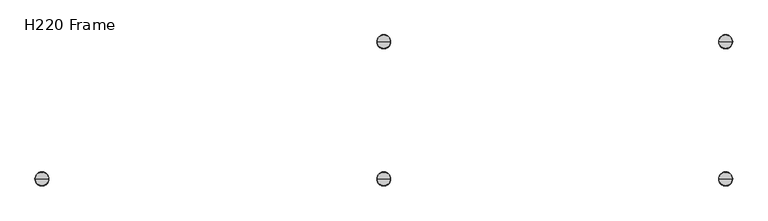
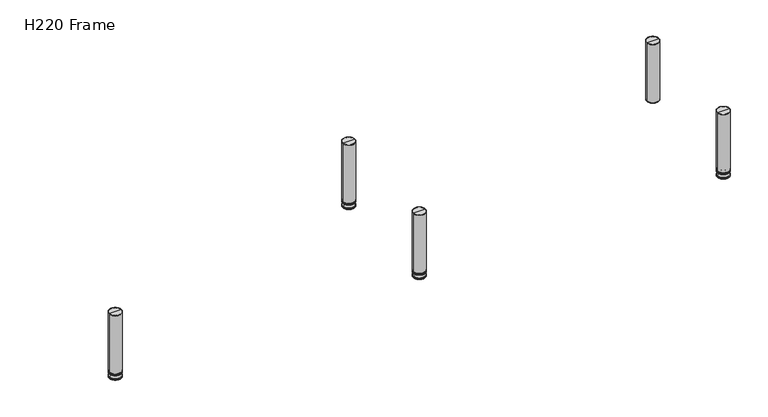
"""IFC4 building model written with IfcOpenShell, lengths in millimetres: furniture geometry, H220 Frame."""

from ifc_helpers import new_model, si_unit, point, frame, origin, place, context, project, spatial, circle_curve, ellipse_curve, trimmed, source, transform, mapped, element, save
from ifc_brep_helpers import plane_surface, cylinder_surface, revolved_surface, advanced_brep


def h220_frame_108b675b(model_context):
    return source(origin(), model_context, "Body", "AdvancedBrep", [
        advanced_brep(
        [(1000.0, -20.0, 220.0), (1019.5, -20.0, 220.0), (980.5, -20.0, 220.0), (980.5, -20.0, 20.0), (1019.5, -20.0, 20.0), (1000.0, -20.0, 20.0), (980.0, -20.0, 20.5), (1020.0, -20.0, 20.5), (980.0, -20.0, 219.5), (1020.0, -20.0, 219.5)],
        [
            (0, 1),
            (1, 2, circle_curve(frame((1000.0, -20.0, 220.0), z_axis=(0.0, 0.0, 1.0), x_axis=(1.0, 0.0, 0.0)), 19.5)),
            (2, 0),
            (2, 1, circle_curve(frame((1000.0, -20.0, 220.0), z_axis=(0.0, 0.0, 1.0), x_axis=(1.0, 0.0, 0.0)), 19.5)),
            (3, 4, circle_curve(frame((1000.0, -20.0, 20.0), z_axis=(0.0, 0.0, -1.0), x_axis=(1.0, 0.0, 0.0)), 19.5)),
            (4, 5),
            (5, 3),
            (4, 3, circle_curve(frame((1000.0, -20.0, 20.0), z_axis=(0.0, 0.0, -1.0), x_axis=(1.0, 0.0, 0.0)), 19.5)),
            (6, 7, circle_curve(frame((1000.0, -20.0, 20.5), z_axis=(0.0, 0.0, -1.0), x_axis=(1.0, 0.0, 0.0)), 20.0)),
            (7, 4, circle_curve(frame((1019.5, -20.0, 20.5), z_axis=(0.0, 1.0, 0.0), x_axis=(1.0, 0.0, 0.0)), 0.5)),
            (3, 6, circle_curve(frame((980.5, -20.0, 20.5), z_axis=(0.0, 1.0, 0.0), x_axis=(-1.0, 0.0, 0.0)), 0.5)),
            (7, 6, circle_curve(frame((1000.0, -20.0, 20.5), z_axis=(0.0, 0.0, -1.0), x_axis=(1.0, 0.0, 0.0)), 20.0)),
            (8, 9, circle_curve(frame((1000.0, -20.0, 219.5), z_axis=(0.0, 0.0, -1.0), x_axis=(1.0, 0.0, 0.0)), 20.0)),
            (9, 7),
            (6, 8),
            (9, 8, circle_curve(frame((1000.0, -20.0, 219.5), z_axis=(0.0, 0.0, -1.0), x_axis=(1.0, 0.0, 0.0)), 20.0)),
            (1, 9, circle_curve(frame((1019.5, -20.0, 219.5), z_axis=(0.0, 1.0, 0.0), x_axis=(1.0, 0.0, 0.0)), 0.5)),
            (8, 2, circle_curve(frame((980.5, -20.0, 219.5), z_axis=(0.0, 1.0, 0.0), x_axis=(-1.0, 0.0, 0.0)), 0.5)),
        ],
        [
            plane_surface(frame((1000.0, -20.0, 220.0), z_axis=(0.0, 0.0, 1.0), x_axis=(1.0, 0.0, 0.0))),
            plane_surface(frame((1000.0, -20.0, 20.0), z_axis=(0.0, 0.0, -1.0), x_axis=(1.0, 0.0, 0.0))),
            revolved_surface(trimmed(ellipse_curve(frame((1019.5, -20.0, 20.5), z_axis=(0.0, -1.0, 0.0), x_axis=(1.0, 0.0, 0.0)), 0.5, 0.5), [point((1019.5, -20.0, 20.0))], [point((1020.0, -20.0, 20.5))], True, "CARTESIAN"), (1000.0, -20.0, 0.0), (0.0, 0.0, 1.0)),
            cylinder_surface(frame((1000.0, -20.0, 0.0), z_axis=(0.0, 0.0, 1.0), x_axis=(1.0, 0.0, 0.0)), 20.0),
            revolved_surface(trimmed(ellipse_curve(frame((1019.5, -20.0, 219.5), z_axis=(0.0, -1.0, 0.0), x_axis=(1.0, 0.0, 0.0)), 0.5, 0.5), [point((1020.0, -20.0, 219.5))], [point((1019.5, -20.0, 220.0))], True, "CARTESIAN"), (1000.0, -20.0, 0.0), (0.0, 0.0, 1.0)),
        ],
        [
            (0, [[1, 2, 3]]),
            (0, [[-3, 4, -1]]),
            (1, [[5, 6, 7]]),
            (1, [[8, -7, -6]]),
            (2, [[9, 10, -5, 11]]),
            (2, [[12, -11, -8, -10]]),
            (3, [[13, 14, -9, 15]]),
            (3, [[16, -15, -12, -14]]),
            (4, [[-2, 17, -13, 18]]),
            (4, [[-4, -18, -16, -17]]),
        ],
    ),
        advanced_brep(
        [(981.0, -20.0, 0.0), (1019.0, -20.0, 0.0), (1000.0, -20.0, 0.0), (980.0, -20.0, 1.0), (1020.0, -20.0, 1.0), (980.0, -20.0, 2.3403271), (1020.0, -20.0, 2.3403271), (980.9823007, -20.0, 4.0620379), (1019.0176993, -20.0, 4.0620379), (993.0, -20.0, 15.0), (1007.0, -20.0, 15.0), (981.0, -20.0, 15.0), (1019.0, -20.0, 15.0), (980.0, -20.0, 16.0), (1020.0, -20.0, 16.0), (980.0, -20.0, 19.5), (1020.0, -20.0, 19.5), (1000.0, -20.0, 20.0), (1019.5, -20.0, 20.0), (980.5, -20.0, 20.0)],
        [
            (0, 1, circle_curve(frame((1000.0, -20.0, 0.0), z_axis=(0.0, 0.0, -1.0), x_axis=(1.0, 0.0, 0.0)), 19.0)),
            (1, 2),
            (2, 0),
            (1, 0, circle_curve(frame((1000.0, -20.0, 0.0), z_axis=(0.0, 0.0, -1.0), x_axis=(1.0, 0.0, 0.0)), 19.0)),
            (3, 4, circle_curve(frame((1000.0, -20.0, 1.0), z_axis=(0.0, 0.0, -1.0), x_axis=(1.0, 0.0, 0.0)), 20.0)),
            (4, 1, circle_curve(frame((1019.0, -20.0, 1.0), z_axis=(0.0, 1.0, 0.0), x_axis=(1.0, 0.0, 0.0)), 1.0)),
            (0, 3, circle_curve(frame((981.0, -20.0, 1.0), z_axis=(0.0, 1.0, 0.0), x_axis=(-1.0, 0.0, 0.0)), 1.0)),
            (4, 3, circle_curve(frame((1000.0, -20.0, 1.0), z_axis=(0.0, 0.0, -1.0), x_axis=(1.0, 0.0, 0.0)), 20.0)),
            (5, 6, circle_curve(frame((1000.0, -20.0, 2.3403271), z_axis=(0.0, 0.0, -1.0), x_axis=(1.0, 0.0, 0.0)), 20.0)),
            (6, 4),
            (3, 5),
            (6, 5, circle_curve(frame((1000.0, -20.0, 2.3403271), z_axis=(0.0, 0.0, -1.0), x_axis=(1.0, 0.0, 0.0)), 20.0)),
            (7, 8, circle_curve(frame((1000.0, -20.0, 4.0620379), z_axis=(0.0, 0.0, -1.0), x_axis=(1.0, 0.0, 0.0)), 19.0176993)),
            (8, 6, circle_curve(frame((1018.0, -20.0, 2.3403271), z_axis=(0.0, 1.0, 0.0), x_axis=(1.0, 0.0, 0.0)), 2.0)),
            (5, 7, circle_curve(frame((982.0, -20.0, 2.3403271), z_axis=(0.0, 1.0, 0.0), x_axis=(-1.0, 0.0, 0.0)), 2.0)),
            (8, 7, circle_curve(frame((1000.0, -20.0, 4.0620379), z_axis=(0.0, 0.0, -1.0), x_axis=(1.0, 0.0, 0.0)), 19.0176993)),
            (9, 10, circle_curve(frame((1000.0, -20.0, 15.0), z_axis=(0.0, 0.0, -1.0), x_axis=(1.0, 0.0, 0.0)), 7.0)),
            (10, 8, circle_curve(frame((1039.371686, -20.0, 38.4962538), z_axis=(0.0, -1.0, 0.0), x_axis=(1.0, 0.0, 0.0)), 40.0)),
            (7, 9, circle_curve(frame((960.628314, -20.0, 38.4962538), z_axis=(0.0, -1.0, 0.0), x_axis=(-1.0, 0.0, 0.0)), 40.0)),
            (10, 9, circle_curve(frame((1000.0, -20.0, 15.0), z_axis=(0.0, 0.0, -1.0), x_axis=(1.0, 0.0, 0.0)), 7.0)),
            (11, 12, circle_curve(frame((1000.0, -20.0, 15.0), z_axis=(0.0, 0.0, -1.0), x_axis=(1.0, 0.0, 0.0)), 19.0)),
            (12, 10),
            (9, 11),
            (12, 11, circle_curve(frame((1000.0, -20.0, 15.0), z_axis=(0.0, 0.0, -1.0), x_axis=(1.0, 0.0, 0.0)), 19.0)),
            (13, 14, circle_curve(frame((1000.0, -20.0, 16.0), z_axis=(0.0, 0.0, -1.0), x_axis=(1.0, 0.0, 0.0)), 20.0)),
            (14, 12, circle_curve(frame((1019.0, -20.0, 16.0), z_axis=(0.0, 1.0, 0.0), x_axis=(1.0, 0.0, 0.0)), 1.0)),
            (11, 13, circle_curve(frame((981.0, -20.0, 16.0), z_axis=(0.0, 1.0, 0.0), x_axis=(-1.0, 0.0, 0.0)), 1.0)),
            (14, 13, circle_curve(frame((1000.0, -20.0, 16.0), z_axis=(0.0, 0.0, -1.0), x_axis=(1.0, 0.0, 0.0)), 20.0)),
            (15, 16, circle_curve(frame((1000.0, -20.0, 19.5), z_axis=(0.0, 0.0, -1.0), x_axis=(1.0, 0.0, 0.0)), 20.0)),
            (16, 14),
            (13, 15),
            (16, 15, circle_curve(frame((1000.0, -20.0, 19.5), z_axis=(0.0, 0.0, -1.0), x_axis=(1.0, 0.0, 0.0)), 20.0)),
            (17, 18),
            (18, 19, circle_curve(frame((1000.0, -20.0, 20.0), z_axis=(0.0, 0.0, 1.0), x_axis=(1.0, 0.0, 0.0)), 19.5)),
            (19, 17),
            (19, 18, circle_curve(frame((1000.0, -20.0, 20.0), z_axis=(0.0, 0.0, 1.0), x_axis=(1.0, 0.0, 0.0)), 19.5)),
            (18, 16, circle_curve(frame((1019.5, -20.0, 19.5), z_axis=(0.0, 1.0, 0.0), x_axis=(1.0, 0.0, 0.0)), 0.5)),
            (15, 19, circle_curve(frame((980.5, -20.0, 19.5), z_axis=(0.0, 1.0, 0.0), x_axis=(-1.0, 0.0, 0.0)), 0.5)),
        ],
        [
            plane_surface(frame((1000.0, -20.0, 0.0), z_axis=(0.0, 0.0, -1.0), x_axis=(1.0, 0.0, 0.0))),
            revolved_surface(trimmed(ellipse_curve(frame((1019.0, -20.0, 1.0), z_axis=(0.0, -1.0, 0.0), x_axis=(1.0, 0.0, 0.0)), 1.0, 1.0), [point((1019.0, -20.0, 0.0))], [point((1020.0, -20.0, 1.0))], True, "CARTESIAN"), (1000.0, -20.0, -1.7276483), (0.0, 0.0, 1.0)),
            cylinder_surface(frame((1000.0, -20.0, -1.7276483), z_axis=(0.0, 0.0, 1.0), x_axis=(1.0, 0.0, 0.0)), 20.0),
            revolved_surface(trimmed(ellipse_curve(frame((1018.0, -20.0, 2.3403271), z_axis=(0.0, -1.0, 0.0), x_axis=(1.0, 0.0, 0.0)), 2.0, 2.0), [point((1020.0, -20.0, 2.3403271))], [point((1019.0176993, -20.0, 4.0620379))], True, "CARTESIAN"), (1000.0, -20.0, -1.7276483), (0.0, 0.0, 1.0)),
            revolved_surface(trimmed(ellipse_curve(frame((1039.371686, -20.0, 38.4962538), z_axis=(0.0, 1.0, 0.0), x_axis=(1.0, 0.0, 0.0)), 40.0, 40.0), [point((1019.0176993, -20.0, 4.0620379))], [point((1007.0, -20.0, 15.0))], True, "CARTESIAN"), (1000.0, -20.0, -1.7276483), (0.0, 0.0, 1.0)),
            plane_surface(frame((1000.0, -20.0, 15.0), z_axis=(0.0, 0.0, -1.0), x_axis=(1.0, 0.0, 0.0))),
            revolved_surface(trimmed(ellipse_curve(frame((1019.0, -20.0, 16.0), z_axis=(0.0, -1.0, 0.0), x_axis=(1.0, 0.0, 0.0)), 1.0, 1.0), [point((1019.0, -20.0, 15.0))], [point((1020.0, -20.0, 16.0))], True, "CARTESIAN"), (1000.0, -20.0, -1.7276483), (0.0, 0.0, 1.0)),
            plane_surface(frame((1000.0, -20.0, 20.0), z_axis=(0.0, 0.0, 1.0), x_axis=(1.0, 0.0, 0.0))),
            revolved_surface(trimmed(ellipse_curve(frame((1019.5, -20.0, 19.5), z_axis=(0.0, -1.0, 0.0), x_axis=(1.0, 0.0, 0.0)), 0.5, 0.5), [point((1020.0, -20.0, 19.5))], [point((1019.5, -20.0, 20.0))], True, "CARTESIAN"), (1000.0, -20.0, -1.7276483), (0.0, 0.0, 1.0)),
        ],
        [
            (0, [[1, 2, 3]]),
            (0, [[4, -3, -2]]),
            (1, [[5, 6, -1, 7]]),
            (1, [[8, -7, -4, -6]]),
            (2, [[9, 10, -5, 11]]),
            (2, [[12, -11, -8, -10]]),
            (3, [[13, 14, -9, 15]]),
            (3, [[16, -15, -12, -14]]),
            (4, [[17, 18, -13, 19]]),
            (4, [[20, -19, -16, -18]]),
            (5, [[21, 22, -17, 23]]),
            (5, [[24, -23, -20, -22]]),
            (6, [[25, 26, -21, 27]]),
            (6, [[28, -27, -24, -26]]),
            (2, [[29, 30, -25, 31]]),
            (2, [[32, -31, -28, -30]]),
            (7, [[33, 34, 35]]),
            (7, [[-35, 36, -33]]),
            (8, [[-34, 37, -29, 38]]),
            (8, [[-36, -38, -32, -37]]),
        ],
    ),
        advanced_brep(
        [(1000.0, -414.0, 220.0), (1019.5, -414.0, 220.0), (980.5, -414.0, 220.0), (980.5, -414.0, 20.0), (1019.5, -414.0, 20.0), (1000.0, -414.0, 20.0), (980.0, -414.0, 20.5), (1020.0, -414.0, 20.5), (980.0, -414.0, 219.5), (1020.0, -414.0, 219.5)],
        [
            (0, 1),
            (1, 2, circle_curve(frame((1000.0, -414.0, 220.0), z_axis=(0.0, 0.0, 1.0), x_axis=(1.0, 0.0, 0.0)), 19.5)),
            (2, 0),
            (2, 1, circle_curve(frame((1000.0, -414.0, 220.0), z_axis=(0.0, 0.0, 1.0), x_axis=(1.0, 0.0, 0.0)), 19.5)),
            (3, 4, circle_curve(frame((1000.0, -414.0, 20.0), z_axis=(0.0, 0.0, -1.0), x_axis=(1.0, 0.0, 0.0)), 19.5)),
            (4, 5),
            (5, 3),
            (4, 3, circle_curve(frame((1000.0, -414.0, 20.0), z_axis=(0.0, 0.0, -1.0), x_axis=(1.0, 0.0, 0.0)), 19.5)),
            (6, 7, circle_curve(frame((1000.0, -414.0, 20.5), z_axis=(0.0, 0.0, -1.0), x_axis=(1.0, 0.0, 0.0)), 20.0)),
            (7, 4, circle_curve(frame((1019.5, -414.0, 20.5), z_axis=(0.0, 1.0, 0.0), x_axis=(1.0, 0.0, 0.0)), 0.5)),
            (3, 6, circle_curve(frame((980.5, -414.0, 20.5), z_axis=(0.0, 1.0, 0.0), x_axis=(-1.0, 0.0, 0.0)), 0.5)),
            (7, 6, circle_curve(frame((1000.0, -414.0, 20.5), z_axis=(0.0, 0.0, -1.0), x_axis=(1.0, 0.0, 0.0)), 20.0)),
            (8, 9, circle_curve(frame((1000.0, -414.0, 219.5), z_axis=(0.0, 0.0, -1.0), x_axis=(1.0, 0.0, 0.0)), 20.0)),
            (9, 7),
            (6, 8),
            (9, 8, circle_curve(frame((1000.0, -414.0, 219.5), z_axis=(0.0, 0.0, -1.0), x_axis=(1.0, 0.0, 0.0)), 20.0)),
            (1, 9, circle_curve(frame((1019.5, -414.0, 219.5), z_axis=(0.0, 1.0, 0.0), x_axis=(1.0, 0.0, 0.0)), 0.5)),
            (8, 2, circle_curve(frame((980.5, -414.0, 219.5), z_axis=(0.0, 1.0, 0.0), x_axis=(-1.0, 0.0, 0.0)), 0.5)),
        ],
        [
            plane_surface(frame((1000.0, -414.0, 220.0), z_axis=(0.0, 0.0, 1.0), x_axis=(1.0, 0.0, 0.0))),
            plane_surface(frame((1000.0, -414.0, 20.0), z_axis=(0.0, 0.0, -1.0), x_axis=(1.0, 0.0, 0.0))),
            revolved_surface(trimmed(ellipse_curve(frame((1019.5, -414.0, 20.5), z_axis=(0.0, -1.0, 0.0), x_axis=(1.0, 0.0, 0.0)), 0.5, 0.5), [point((1019.5, -414.0, 20.0))], [point((1020.0, -414.0, 20.5))], True, "CARTESIAN"), (1000.0, -414.0, 0.0), (0.0, 0.0, 1.0)),
            cylinder_surface(frame((1000.0, -414.0, 0.0), z_axis=(0.0, 0.0, 1.0), x_axis=(1.0, 0.0, 0.0)), 20.0),
            revolved_surface(trimmed(ellipse_curve(frame((1019.5, -414.0, 219.5), z_axis=(0.0, -1.0, 0.0), x_axis=(1.0, 0.0, 0.0)), 0.5, 0.5), [point((1020.0, -414.0, 219.5))], [point((1019.5, -414.0, 220.0))], True, "CARTESIAN"), (1000.0, -414.0, 0.0), (0.0, 0.0, 1.0)),
        ],
        [
            (0, [[1, 2, 3]]),
            (0, [[-3, 4, -1]]),
            (1, [[5, 6, 7]]),
            (1, [[8, -7, -6]]),
            (2, [[9, 10, -5, 11]]),
            (2, [[12, -11, -8, -10]]),
            (3, [[13, 14, -9, 15]]),
            (3, [[16, -15, -12, -14]]),
            (4, [[-2, 17, -13, 18]]),
            (4, [[-4, -18, -16, -17]]),
        ],
    ),
        advanced_brep(
        [(981.0, -414.0, 0.0), (1019.0, -414.0, 0.0), (1000.0, -414.0, 0.0), (980.0, -414.0, 1.0), (1020.0, -414.0, 1.0), (980.0, -414.0, 2.3403271), (1020.0, -414.0, 2.3403271), (980.9823007, -414.0, 4.0620379), (1019.0176993, -414.0, 4.0620379), (993.0, -414.0, 15.0), (1007.0, -414.0, 15.0), (981.0, -414.0, 15.0), (1019.0, -414.0, 15.0), (980.0, -414.0, 16.0), (1020.0, -414.0, 16.0), (980.0, -414.0, 19.5), (1020.0, -414.0, 19.5), (1000.0, -414.0, 20.0), (1019.5, -414.0, 20.0), (980.5, -414.0, 20.0)],
        [
            (0, 1, circle_curve(frame((1000.0, -414.0, 0.0), z_axis=(0.0, 0.0, -1.0), x_axis=(1.0, 0.0, 0.0)), 19.0)),
            (1, 2),
            (2, 0),
            (1, 0, circle_curve(frame((1000.0, -414.0, 0.0), z_axis=(0.0, 0.0, -1.0), x_axis=(1.0, 0.0, 0.0)), 19.0)),
            (3, 4, circle_curve(frame((1000.0, -414.0, 1.0), z_axis=(0.0, 0.0, -1.0), x_axis=(1.0, 0.0, 0.0)), 20.0)),
            (4, 1, circle_curve(frame((1019.0, -414.0, 1.0), z_axis=(0.0, 1.0, 0.0), x_axis=(1.0, 0.0, 0.0)), 1.0)),
            (0, 3, circle_curve(frame((981.0, -414.0, 1.0), z_axis=(0.0, 1.0, 0.0), x_axis=(-1.0, 0.0, 0.0)), 1.0)),
            (4, 3, circle_curve(frame((1000.0, -414.0, 1.0), z_axis=(0.0, 0.0, -1.0), x_axis=(1.0, 0.0, 0.0)), 20.0)),
            (5, 6, circle_curve(frame((1000.0, -414.0, 2.3403271), z_axis=(0.0, 0.0, -1.0), x_axis=(1.0, 0.0, 0.0)), 20.0)),
            (6, 4),
            (3, 5),
            (6, 5, circle_curve(frame((1000.0, -414.0, 2.3403271), z_axis=(0.0, 0.0, -1.0), x_axis=(1.0, 0.0, 0.0)), 20.0)),
            (7, 8, circle_curve(frame((1000.0, -414.0, 4.0620379), z_axis=(0.0, 0.0, -1.0), x_axis=(1.0, 0.0, 0.0)), 19.0176993)),
            (8, 6, circle_curve(frame((1018.0, -414.0, 2.3403271), z_axis=(0.0, 1.0, 0.0), x_axis=(1.0, 0.0, 0.0)), 2.0)),
            (5, 7, circle_curve(frame((982.0, -414.0, 2.3403271), z_axis=(0.0, 1.0, 0.0), x_axis=(-1.0, 0.0, 0.0)), 2.0)),
            (8, 7, circle_curve(frame((1000.0, -414.0, 4.0620379), z_axis=(0.0, 0.0, -1.0), x_axis=(1.0, 0.0, 0.0)), 19.0176993)),
            (9, 10, circle_curve(frame((1000.0, -414.0, 15.0), z_axis=(0.0, 0.0, -1.0), x_axis=(1.0, 0.0, 0.0)), 7.0)),
            (10, 8, circle_curve(frame((1039.371686, -414.0, 38.4962538), z_axis=(0.0, -1.0, 0.0), x_axis=(1.0, 0.0, 0.0)), 40.0)),
            (7, 9, circle_curve(frame((960.628314, -414.0, 38.4962538), z_axis=(0.0, -1.0, 0.0), x_axis=(-1.0, 0.0, 0.0)), 40.0)),
            (10, 9, circle_curve(frame((1000.0, -414.0, 15.0), z_axis=(0.0, 0.0, -1.0), x_axis=(1.0, 0.0, 0.0)), 7.0)),
            (11, 12, circle_curve(frame((1000.0, -414.0, 15.0), z_axis=(0.0, 0.0, -1.0), x_axis=(1.0, 0.0, 0.0)), 19.0)),
            (12, 10),
            (9, 11),
            (12, 11, circle_curve(frame((1000.0, -414.0, 15.0), z_axis=(0.0, 0.0, -1.0), x_axis=(1.0, 0.0, 0.0)), 19.0)),
            (13, 14, circle_curve(frame((1000.0, -414.0, 16.0), z_axis=(0.0, 0.0, -1.0), x_axis=(1.0, 0.0, 0.0)), 20.0)),
            (14, 12, circle_curve(frame((1019.0, -414.0, 16.0), z_axis=(0.0, 1.0, 0.0), x_axis=(1.0, 0.0, 0.0)), 1.0)),
            (11, 13, circle_curve(frame((981.0, -414.0, 16.0), z_axis=(0.0, 1.0, 0.0), x_axis=(-1.0, 0.0, 0.0)), 1.0)),
            (14, 13, circle_curve(frame((1000.0, -414.0, 16.0), z_axis=(0.0, 0.0, -1.0), x_axis=(1.0, 0.0, 0.0)), 20.0)),
            (15, 16, circle_curve(frame((1000.0, -414.0, 19.5), z_axis=(0.0, 0.0, -1.0), x_axis=(1.0, 0.0, 0.0)), 20.0)),
            (16, 14),
            (13, 15),
            (16, 15, circle_curve(frame((1000.0, -414.0, 19.5), z_axis=(0.0, 0.0, -1.0), x_axis=(1.0, 0.0, 0.0)), 20.0)),
            (17, 18),
            (18, 19, circle_curve(frame((1000.0, -414.0, 20.0), z_axis=(0.0, 0.0, 1.0), x_axis=(1.0, 0.0, 0.0)), 19.5)),
            (19, 17),
            (19, 18, circle_curve(frame((1000.0, -414.0, 20.0), z_axis=(0.0, 0.0, 1.0), x_axis=(1.0, 0.0, 0.0)), 19.5)),
            (18, 16, circle_curve(frame((1019.5, -414.0, 19.5), z_axis=(0.0, 1.0, 0.0), x_axis=(1.0, 0.0, 0.0)), 0.5)),
            (15, 19, circle_curve(frame((980.5, -414.0, 19.5), z_axis=(0.0, 1.0, 0.0), x_axis=(-1.0, 0.0, 0.0)), 0.5)),
        ],
        [
            plane_surface(frame((1000.0, -414.0, 0.0), z_axis=(0.0, 0.0, -1.0), x_axis=(1.0, 0.0, 0.0))),
            revolved_surface(trimmed(ellipse_curve(frame((1019.0, -414.0, 1.0), z_axis=(0.0, -1.0, 0.0), x_axis=(1.0, 0.0, 0.0)), 1.0, 1.0), [point((1019.0, -414.0, 0.0))], [point((1020.0, -414.0, 1.0))], True, "CARTESIAN"), (1000.0, -414.0, -1.7276483), (0.0, 0.0, 1.0)),
            cylinder_surface(frame((1000.0, -414.0, -1.7276483), z_axis=(0.0, 0.0, 1.0), x_axis=(1.0, 0.0, 0.0)), 20.0),
            revolved_surface(trimmed(ellipse_curve(frame((1018.0, -414.0, 2.3403271), z_axis=(0.0, -1.0, 0.0), x_axis=(1.0, 0.0, 0.0)), 2.0, 2.0), [point((1020.0, -414.0, 2.3403271))], [point((1019.0176993, -414.0, 4.0620379))], True, "CARTESIAN"), (1000.0, -414.0, -1.7276483), (0.0, 0.0, 1.0)),
            revolved_surface(trimmed(ellipse_curve(frame((1039.371686, -414.0, 38.4962538), z_axis=(0.0, 1.0, 0.0), x_axis=(1.0, 0.0, 0.0)), 40.0, 40.0), [point((1019.0176993, -414.0, 4.0620379))], [point((1007.0, -414.0, 15.0))], True, "CARTESIAN"), (1000.0, -414.0, -1.7276483), (0.0, 0.0, 1.0)),
            plane_surface(frame((1000.0, -414.0, 15.0), z_axis=(0.0, 0.0, -1.0), x_axis=(1.0, 0.0, 0.0))),
            revolved_surface(trimmed(ellipse_curve(frame((1019.0, -414.0, 16.0), z_axis=(0.0, -1.0, 0.0), x_axis=(1.0, 0.0, 0.0)), 1.0, 1.0), [point((1019.0, -414.0, 15.0))], [point((1020.0, -414.0, 16.0))], True, "CARTESIAN"), (1000.0, -414.0, -1.7276483), (0.0, 0.0, 1.0)),
            plane_surface(frame((1000.0, -414.0, 20.0), z_axis=(0.0, 0.0, 1.0), x_axis=(1.0, 0.0, 0.0))),
            revolved_surface(trimmed(ellipse_curve(frame((1019.5, -414.0, 19.5), z_axis=(0.0, -1.0, 0.0), x_axis=(1.0, 0.0, 0.0)), 0.5, 0.5), [point((1020.0, -414.0, 19.5))], [point((1019.5, -414.0, 20.0))], True, "CARTESIAN"), (1000.0, -414.0, -1.7276483), (0.0, 0.0, 1.0)),
        ],
        [
            (0, [[1, 2, 3]]),
            (0, [[4, -3, -2]]),
            (1, [[5, 6, -1, 7]]),
            (1, [[8, -7, -4, -6]]),
            (2, [[9, 10, -5, 11]]),
            (2, [[12, -11, -8, -10]]),
            (3, [[13, 14, -9, 15]]),
            (3, [[16, -15, -12, -14]]),
            (4, [[17, 18, -13, 19]]),
            (4, [[20, -19, -16, -18]]),
            (5, [[21, 22, -17, 23]]),
            (5, [[24, -23, -20, -22]]),
            (6, [[25, 26, -21, 27]]),
            (6, [[28, -27, -24, -26]]),
            (2, [[29, 30, -25, 31]]),
            (2, [[32, -31, -28, -30]]),
            (7, [[33, 34, 35]]),
            (7, [[-35, 36, -33]]),
            (8, [[-34, 37, -29, 38]]),
            (8, [[-36, -38, -32, -37]]),
        ],
    ),
        advanced_brep(
        [(1980.0, -414.0, 220.0), (1999.5, -414.0, 220.0), (1960.5, -414.0, 220.0), (1960.5, -414.0, 20.0), (1999.5, -414.0, 20.0), (1980.0, -414.0, 20.0), (1960.0, -414.0, 20.5), (2000.0, -414.0, 20.5), (1960.0, -414.0, 219.5), (2000.0, -414.0, 219.5)],
        [
            (0, 1),
            (1, 2, circle_curve(frame((1980.0, -414.0, 220.0), z_axis=(0.0, 0.0, 1.0), x_axis=(1.0, 0.0, 0.0)), 19.5)),
            (2, 0),
            (2, 1, circle_curve(frame((1980.0, -414.0, 220.0), z_axis=(0.0, 0.0, 1.0), x_axis=(1.0, 0.0, 0.0)), 19.5)),
            (3, 4, circle_curve(frame((1980.0, -414.0, 20.0), z_axis=(0.0, 0.0, -1.0), x_axis=(1.0, 0.0, 0.0)), 19.5)),
            (4, 5),
            (5, 3),
            (4, 3, circle_curve(frame((1980.0, -414.0, 20.0), z_axis=(0.0, 0.0, -1.0), x_axis=(1.0, 0.0, 0.0)), 19.5)),
            (6, 7, circle_curve(frame((1980.0, -414.0, 20.5), z_axis=(0.0, 0.0, -1.0), x_axis=(1.0, 0.0, 0.0)), 20.0)),
            (7, 4, circle_curve(frame((1999.5, -414.0, 20.5), z_axis=(0.0, 1.0, 0.0), x_axis=(1.0, 0.0, 0.0)), 0.5)),
            (3, 6, circle_curve(frame((1960.5, -414.0, 20.5), z_axis=(0.0, 1.0, 0.0), x_axis=(-1.0, 0.0, 0.0)), 0.5)),
            (7, 6, circle_curve(frame((1980.0, -414.0, 20.5), z_axis=(0.0, 0.0, -1.0), x_axis=(1.0, 0.0, 0.0)), 20.0)),
            (8, 9, circle_curve(frame((1980.0, -414.0, 219.5), z_axis=(0.0, 0.0, -1.0), x_axis=(1.0, 0.0, 0.0)), 20.0)),
            (9, 7),
            (6, 8),
            (9, 8, circle_curve(frame((1980.0, -414.0, 219.5), z_axis=(0.0, 0.0, -1.0), x_axis=(1.0, 0.0, 0.0)), 20.0)),
            (1, 9, circle_curve(frame((1999.5, -414.0, 219.5), z_axis=(0.0, 1.0, 0.0), x_axis=(1.0, 0.0, 0.0)), 0.5)),
            (8, 2, circle_curve(frame((1960.5, -414.0, 219.5), z_axis=(0.0, 1.0, 0.0), x_axis=(-1.0, 0.0, 0.0)), 0.5)),
        ],
        [
            plane_surface(frame((1980.0, -414.0, 220.0), z_axis=(0.0, 0.0, 1.0), x_axis=(1.0, 0.0, 0.0))),
            plane_surface(frame((1980.0, -414.0, 20.0), z_axis=(0.0, 0.0, -1.0), x_axis=(1.0, 0.0, 0.0))),
            revolved_surface(trimmed(ellipse_curve(frame((1999.5, -414.0, 20.5), z_axis=(0.0, -1.0, 0.0), x_axis=(1.0, 0.0, 0.0)), 0.5, 0.5), [point((1999.5, -414.0, 20.0))], [point((2000.0, -414.0, 20.5))], True, "CARTESIAN"), (1980.0, -414.0, 0.0), (0.0, 0.0, 1.0)),
            cylinder_surface(frame((1980.0, -414.0, 0.0), z_axis=(0.0, 0.0, 1.0), x_axis=(1.0, 0.0, 0.0)), 20.0),
            revolved_surface(trimmed(ellipse_curve(frame((1999.5, -414.0, 219.5), z_axis=(0.0, -1.0, 0.0), x_axis=(1.0, 0.0, 0.0)), 0.5, 0.5), [point((2000.0, -414.0, 219.5))], [point((1999.5, -414.0, 220.0))], True, "CARTESIAN"), (1980.0, -414.0, 0.0), (0.0, 0.0, 1.0)),
        ],
        [
            (0, [[1, 2, 3]]),
            (0, [[-3, 4, -1]]),
            (1, [[5, 6, 7]]),
            (1, [[8, -7, -6]]),
            (2, [[9, 10, -5, 11]]),
            (2, [[12, -11, -8, -10]]),
            (3, [[13, 14, -9, 15]]),
            (3, [[16, -15, -12, -14]]),
            (4, [[-2, 17, -13, 18]]),
            (4, [[-4, -18, -16, -17]]),
        ],
    ),
        advanced_brep(
        [(1961.0, -414.0, 0.0), (1999.0, -414.0, 0.0), (1980.0, -414.0, 0.0), (1960.0, -414.0, 1.0), (2000.0, -414.0, 1.0), (1960.0, -414.0, 2.3403271), (2000.0, -414.0, 2.3403271), (1960.9823007, -414.0, 4.0620379), (1999.0176993, -414.0, 4.0620379), (1973.0, -414.0, 15.0), (1987.0, -414.0, 15.0), (1961.0, -414.0, 15.0), (1999.0, -414.0, 15.0), (1960.0, -414.0, 16.0), (2000.0, -414.0, 16.0), (1960.0, -414.0, 19.5), (2000.0, -414.0, 19.5), (1980.0, -414.0, 20.0), (1999.5, -414.0, 20.0), (1960.5, -414.0, 20.0)],
        [
            (0, 1, circle_curve(frame((1980.0, -414.0, 0.0), z_axis=(0.0, 0.0, -1.0), x_axis=(1.0, 0.0, 0.0)), 19.0)),
            (1, 2),
            (2, 0),
            (1, 0, circle_curve(frame((1980.0, -414.0, 0.0), z_axis=(0.0, 0.0, -1.0), x_axis=(1.0, 0.0, 0.0)), 19.0)),
            (3, 4, circle_curve(frame((1980.0, -414.0, 1.0), z_axis=(0.0, 0.0, -1.0), x_axis=(1.0, 0.0, 0.0)), 20.0)),
            (4, 1, circle_curve(frame((1999.0, -414.0, 1.0), z_axis=(0.0, 1.0, 0.0), x_axis=(1.0, 0.0, 0.0)), 1.0)),
            (0, 3, circle_curve(frame((1961.0, -414.0, 1.0), z_axis=(0.0, 1.0, 0.0), x_axis=(-1.0, 0.0, 0.0)), 1.0)),
            (4, 3, circle_curve(frame((1980.0, -414.0, 1.0), z_axis=(0.0, 0.0, -1.0), x_axis=(1.0, 0.0, 0.0)), 20.0)),
            (5, 6, circle_curve(frame((1980.0, -414.0, 2.3403271), z_axis=(0.0, 0.0, -1.0), x_axis=(1.0, 0.0, 0.0)), 20.0)),
            (6, 4),
            (3, 5),
            (6, 5, circle_curve(frame((1980.0, -414.0, 2.3403271), z_axis=(0.0, 0.0, -1.0), x_axis=(1.0, 0.0, 0.0)), 20.0)),
            (7, 8, circle_curve(frame((1980.0, -414.0, 4.0620379), z_axis=(0.0, 0.0, -1.0), x_axis=(1.0, 0.0, 0.0)), 19.0176993)),
            (8, 6, circle_curve(frame((1998.0, -414.0, 2.3403271), z_axis=(0.0, 1.0, 0.0), x_axis=(1.0, 0.0, 0.0)), 2.0)),
            (5, 7, circle_curve(frame((1962.0, -414.0, 2.3403271), z_axis=(0.0, 1.0, 0.0), x_axis=(-1.0, 0.0, 0.0)), 2.0)),
            (8, 7, circle_curve(frame((1980.0, -414.0, 4.0620379), z_axis=(0.0, 0.0, -1.0), x_axis=(1.0, 0.0, 0.0)), 19.0176993)),
            (9, 10, circle_curve(frame((1980.0, -414.0, 15.0), z_axis=(0.0, 0.0, -1.0), x_axis=(1.0, 0.0, 0.0)), 7.0)),
            (10, 8, circle_curve(frame((2019.371686, -414.0, 38.4962538), z_axis=(0.0, -1.0, 0.0), x_axis=(1.0, 0.0, 0.0)), 40.0)),
            (7, 9, circle_curve(frame((1940.628314, -414.0, 38.4962538), z_axis=(0.0, -1.0, 0.0), x_axis=(-1.0, 0.0, 0.0)), 40.0)),
            (10, 9, circle_curve(frame((1980.0, -414.0, 15.0), z_axis=(0.0, 0.0, -1.0), x_axis=(1.0, 0.0, 0.0)), 7.0)),
            (11, 12, circle_curve(frame((1980.0, -414.0, 15.0), z_axis=(0.0, 0.0, -1.0), x_axis=(1.0, 0.0, 0.0)), 19.0)),
            (12, 10),
            (9, 11),
            (12, 11, circle_curve(frame((1980.0, -414.0, 15.0), z_axis=(0.0, 0.0, -1.0), x_axis=(1.0, 0.0, 0.0)), 19.0)),
            (13, 14, circle_curve(frame((1980.0, -414.0, 16.0), z_axis=(0.0, 0.0, -1.0), x_axis=(1.0, 0.0, 0.0)), 20.0)),
            (14, 12, circle_curve(frame((1999.0, -414.0, 16.0), z_axis=(0.0, 1.0, 0.0), x_axis=(1.0, 0.0, 0.0)), 1.0)),
            (11, 13, circle_curve(frame((1961.0, -414.0, 16.0), z_axis=(0.0, 1.0, 0.0), x_axis=(-1.0, 0.0, 0.0)), 1.0)),
            (14, 13, circle_curve(frame((1980.0, -414.0, 16.0), z_axis=(0.0, 0.0, -1.0), x_axis=(1.0, 0.0, 0.0)), 20.0)),
            (15, 16, circle_curve(frame((1980.0, -414.0, 19.5), z_axis=(0.0, 0.0, -1.0), x_axis=(1.0, 0.0, 0.0)), 20.0)),
            (16, 14),
            (13, 15),
            (16, 15, circle_curve(frame((1980.0, -414.0, 19.5), z_axis=(0.0, 0.0, -1.0), x_axis=(1.0, 0.0, 0.0)), 20.0)),
            (17, 18),
            (18, 19, circle_curve(frame((1980.0, -414.0, 20.0), z_axis=(0.0, 0.0, 1.0), x_axis=(1.0, 0.0, 0.0)), 19.5)),
            (19, 17),
            (19, 18, circle_curve(frame((1980.0, -414.0, 20.0), z_axis=(0.0, 0.0, 1.0), x_axis=(1.0, 0.0, 0.0)), 19.5)),
            (18, 16, circle_curve(frame((1999.5, -414.0, 19.5), z_axis=(0.0, 1.0, 0.0), x_axis=(1.0, 0.0, 0.0)), 0.5)),
            (15, 19, circle_curve(frame((1960.5, -414.0, 19.5), z_axis=(0.0, 1.0, 0.0), x_axis=(-1.0, 0.0, 0.0)), 0.5)),
        ],
        [
            plane_surface(frame((1980.0, -414.0, 0.0), z_axis=(0.0, 0.0, -1.0), x_axis=(1.0, 0.0, 0.0))),
            revolved_surface(trimmed(ellipse_curve(frame((1999.0, -414.0, 1.0), z_axis=(0.0, -1.0, 0.0), x_axis=(1.0, 0.0, 0.0)), 1.0, 1.0), [point((1999.0, -414.0, 0.0))], [point((2000.0, -414.0, 1.0))], True, "CARTESIAN"), (1980.0, -414.0, -1.7276483), (0.0, 0.0, 1.0)),
            cylinder_surface(frame((1980.0, -414.0, -1.7276483), z_axis=(0.0, 0.0, 1.0), x_axis=(1.0, 0.0, 0.0)), 20.0),
            revolved_surface(trimmed(ellipse_curve(frame((1998.0, -414.0, 2.3403271), z_axis=(0.0, -1.0, 0.0), x_axis=(1.0, 0.0, 0.0)), 2.0, 2.0), [point((2000.0, -414.0, 2.3403271))], [point((1999.0176993, -414.0, 4.0620379))], True, "CARTESIAN"), (1980.0, -414.0, -1.7276483), (0.0, 0.0, 1.0)),
            revolved_surface(trimmed(ellipse_curve(frame((2019.371686, -414.0, 38.4962538), z_axis=(0.0, 1.0, 0.0), x_axis=(1.0, 0.0, 0.0)), 40.0, 40.0), [point((1999.0176993, -414.0, 4.0620379))], [point((1987.0, -414.0, 15.0))], True, "CARTESIAN"), (1980.0, -414.0, -1.7276483), (0.0, 0.0, 1.0)),
            plane_surface(frame((1980.0, -414.0, 15.0), z_axis=(0.0, 0.0, -1.0), x_axis=(1.0, 0.0, 0.0))),
            revolved_surface(trimmed(ellipse_curve(frame((1999.0, -414.0, 16.0), z_axis=(0.0, -1.0, 0.0), x_axis=(1.0, 0.0, 0.0)), 1.0, 1.0), [point((1999.0, -414.0, 15.0))], [point((2000.0, -414.0, 16.0))], True, "CARTESIAN"), (1980.0, -414.0, -1.7276483), (0.0, 0.0, 1.0)),
            plane_surface(frame((1980.0, -414.0, 20.0), z_axis=(0.0, 0.0, 1.0), x_axis=(1.0, 0.0, 0.0))),
            revolved_surface(trimmed(ellipse_curve(frame((1999.5, -414.0, 19.5), z_axis=(0.0, -1.0, 0.0), x_axis=(1.0, 0.0, 0.0)), 0.5, 0.5), [point((2000.0, -414.0, 19.5))], [point((1999.5, -414.0, 20.0))], True, "CARTESIAN"), (1980.0, -414.0, -1.7276483), (0.0, 0.0, 1.0)),
        ],
        [
            (0, [[1, 2, 3]]),
            (0, [[4, -3, -2]]),
            (1, [[5, 6, -1, 7]]),
            (1, [[8, -7, -4, -6]]),
            (2, [[9, 10, -5, 11]]),
            (2, [[12, -11, -8, -10]]),
            (3, [[13, 14, -9, 15]]),
            (3, [[16, -15, -12, -14]]),
            (4, [[17, 18, -13, 19]]),
            (4, [[20, -19, -16, -18]]),
            (5, [[21, 22, -17, 23]]),
            (5, [[24, -23, -20, -22]]),
            (6, [[25, 26, -21, 27]]),
            (6, [[28, -27, -24, -26]]),
            (2, [[29, 30, -25, 31]]),
            (2, [[32, -31, -28, -30]]),
            (7, [[33, 34, 35]]),
            (7, [[-35, 36, -33]]),
            (8, [[-34, 37, -29, 38]]),
            (8, [[-36, -38, -32, -37]]),
        ],
    ),
        advanced_brep(
        [(20.0, -414.0, 220.0), (39.5, -414.0, 220.0), (0.5, -414.0, 220.0), (0.5, -414.0, 20.0), (39.5, -414.0, 20.0), (20.0, -414.0, 20.0), (0.0, -414.0, 20.5), (40.0, -414.0, 20.5), (0.0, -414.0, 219.5), (40.0, -414.0, 219.5)],
        [
            (0, 1),
            (1, 2, circle_curve(frame((20.0, -414.0, 220.0), z_axis=(0.0, 0.0, 1.0), x_axis=(1.0, 0.0, 0.0)), 19.5)),
            (2, 0),
            (2, 1, circle_curve(frame((20.0, -414.0, 220.0), z_axis=(0.0, 0.0, 1.0), x_axis=(1.0, 0.0, 0.0)), 19.5)),
            (3, 4, circle_curve(frame((20.0, -414.0, 20.0), z_axis=(0.0, 0.0, -1.0), x_axis=(1.0, 0.0, 0.0)), 19.5)),
            (4, 5),
            (5, 3),
            (4, 3, circle_curve(frame((20.0, -414.0, 20.0), z_axis=(0.0, 0.0, -1.0), x_axis=(1.0, 0.0, 0.0)), 19.5)),
            (6, 7, circle_curve(frame((20.0, -414.0, 20.5), z_axis=(0.0, 0.0, -1.0), x_axis=(1.0, 0.0, 0.0)), 20.0)),
            (7, 4, circle_curve(frame((39.5, -414.0, 20.5), z_axis=(0.0, 1.0, 0.0), x_axis=(1.0, 0.0, 0.0)), 0.5)),
            (3, 6, circle_curve(frame((0.5, -414.0, 20.5), z_axis=(0.0, 1.0, 0.0), x_axis=(-1.0, 0.0, 0.0)), 0.5)),
            (7, 6, circle_curve(frame((20.0, -414.0, 20.5), z_axis=(0.0, 0.0, -1.0), x_axis=(1.0, 0.0, 0.0)), 20.0)),
            (8, 9, circle_curve(frame((20.0, -414.0, 219.5), z_axis=(0.0, 0.0, -1.0), x_axis=(1.0, 0.0, 0.0)), 20.0)),
            (9, 7),
            (6, 8),
            (9, 8, circle_curve(frame((20.0, -414.0, 219.5), z_axis=(0.0, 0.0, -1.0), x_axis=(1.0, 0.0, 0.0)), 20.0)),
            (1, 9, circle_curve(frame((39.5, -414.0, 219.5), z_axis=(0.0, 1.0, 0.0), x_axis=(1.0, 0.0, 0.0)), 0.5)),
            (8, 2, circle_curve(frame((0.5, -414.0, 219.5), z_axis=(0.0, 1.0, 0.0), x_axis=(-1.0, 0.0, 0.0)), 0.5)),
        ],
        [
            plane_surface(frame((20.0, -414.0, 220.0), z_axis=(0.0, 0.0, 1.0), x_axis=(1.0, 0.0, 0.0))),
            plane_surface(frame((20.0, -414.0, 20.0), z_axis=(0.0, 0.0, -1.0), x_axis=(1.0, 0.0, 0.0))),
            revolved_surface(trimmed(ellipse_curve(frame((39.5, -414.0, 20.5), z_axis=(0.0, -1.0, 0.0), x_axis=(1.0, 0.0, 0.0)), 0.5, 0.5), [point((39.5, -414.0, 20.0))], [point((40.0, -414.0, 20.5))], True, "CARTESIAN"), (20.0, -414.0, 0.0), (0.0, 0.0, 1.0)),
            cylinder_surface(frame((20.0, -414.0, 0.0), z_axis=(0.0, 0.0, 1.0), x_axis=(1.0, 0.0, 0.0)), 20.0),
            revolved_surface(trimmed(ellipse_curve(frame((39.5, -414.0, 219.5), z_axis=(0.0, -1.0, 0.0), x_axis=(1.0, 0.0, 0.0)), 0.5, 0.5), [point((40.0, -414.0, 219.5))], [point((39.5, -414.0, 220.0))], True, "CARTESIAN"), (20.0, -414.0, 0.0), (0.0, 0.0, 1.0)),
        ],
        [
            (0, [[1, 2, 3]]),
            (0, [[-3, 4, -1]]),
            (1, [[5, 6, 7]]),
            (1, [[8, -7, -6]]),
            (2, [[9, 10, -5, 11]]),
            (2, [[12, -11, -8, -10]]),
            (3, [[13, 14, -9, 15]]),
            (3, [[16, -15, -12, -14]]),
            (4, [[-2, 17, -13, 18]]),
            (4, [[-4, -18, -16, -17]]),
        ],
    ),
        advanced_brep(
        [(1.0, -414.0, 0.0), (39.0, -414.0, 0.0), (20.0, -414.0, 0.0), (0.0, -414.0, 1.0), (40.0, -414.0, 1.0), (0.0, -414.0, 2.3403271), (40.0, -414.0, 2.3403271), (0.9823007, -414.0, 4.0620379), (39.0176993, -414.0, 4.0620379), (13.0, -414.0, 15.0), (27.0, -414.0, 15.0), (1.0, -414.0, 15.0), (39.0, -414.0, 15.0), (0.0, -414.0, 16.0), (40.0, -414.0, 16.0), (0.0, -414.0, 19.5), (40.0, -414.0, 19.5), (20.0, -414.0, 20.0), (39.5, -414.0, 20.0), (0.5, -414.0, 20.0)],
        [
            (0, 1, circle_curve(frame((20.0, -414.0, 0.0), z_axis=(0.0, 0.0, -1.0), x_axis=(1.0, 0.0, 0.0)), 19.0)),
            (1, 2),
            (2, 0),
            (1, 0, circle_curve(frame((20.0, -414.0, 0.0), z_axis=(0.0, 0.0, -1.0), x_axis=(1.0, 0.0, 0.0)), 19.0)),
            (3, 4, circle_curve(frame((20.0, -414.0, 1.0), z_axis=(0.0, 0.0, -1.0), x_axis=(1.0, 0.0, 0.0)), 20.0)),
            (4, 1, circle_curve(frame((39.0, -414.0, 1.0), z_axis=(0.0, 1.0, 0.0), x_axis=(1.0, 0.0, 0.0)), 1.0)),
            (0, 3, circle_curve(frame((1.0, -414.0, 1.0), z_axis=(0.0, 1.0, 0.0), x_axis=(-1.0, 0.0, 0.0)), 1.0)),
            (4, 3, circle_curve(frame((20.0, -414.0, 1.0), z_axis=(0.0, 0.0, -1.0), x_axis=(1.0, 0.0, 0.0)), 20.0)),
            (5, 6, circle_curve(frame((20.0, -414.0, 2.3403271), z_axis=(0.0, 0.0, -1.0), x_axis=(1.0, 0.0, 0.0)), 20.0)),
            (6, 4),
            (3, 5),
            (6, 5, circle_curve(frame((20.0, -414.0, 2.3403271), z_axis=(0.0, 0.0, -1.0), x_axis=(1.0, 0.0, 0.0)), 20.0)),
            (7, 8, circle_curve(frame((20.0, -414.0, 4.0620379), z_axis=(0.0, 0.0, -1.0), x_axis=(1.0, 0.0, 0.0)), 19.0176993)),
            (8, 6, circle_curve(frame((38.0, -414.0, 2.3403271), z_axis=(0.0, 1.0, 0.0), x_axis=(1.0, 0.0, 0.0)), 2.0)),
            (5, 7, circle_curve(frame((2.0, -414.0, 2.3403271), z_axis=(0.0, 1.0, 0.0), x_axis=(-1.0, 0.0, 0.0)), 2.0)),
            (8, 7, circle_curve(frame((20.0, -414.0, 4.0620379), z_axis=(0.0, 0.0, -1.0), x_axis=(1.0, 0.0, 0.0)), 19.0176993)),
            (9, 10, circle_curve(frame((20.0, -414.0, 15.0), z_axis=(0.0, 0.0, -1.0), x_axis=(1.0, 0.0, 0.0)), 7.0)),
            (10, 8, circle_curve(frame((59.371686, -414.0, 38.4962538), z_axis=(0.0, -1.0, 0.0), x_axis=(1.0, 0.0, 0.0)), 40.0)),
            (7, 9, circle_curve(frame((-19.371686, -414.0, 38.4962538), z_axis=(0.0, -1.0, 0.0), x_axis=(-1.0, 0.0, 0.0)), 40.0)),
            (10, 9, circle_curve(frame((20.0, -414.0, 15.0), z_axis=(0.0, 0.0, -1.0), x_axis=(1.0, 0.0, 0.0)), 7.0)),
            (11, 12, circle_curve(frame((20.0, -414.0, 15.0), z_axis=(0.0, 0.0, -1.0), x_axis=(1.0, 0.0, 0.0)), 19.0)),
            (12, 10),
            (9, 11),
            (12, 11, circle_curve(frame((20.0, -414.0, 15.0), z_axis=(0.0, 0.0, -1.0), x_axis=(1.0, 0.0, 0.0)), 19.0)),
            (13, 14, circle_curve(frame((20.0, -414.0, 16.0), z_axis=(0.0, 0.0, -1.0), x_axis=(1.0, 0.0, 0.0)), 20.0)),
            (14, 12, circle_curve(frame((39.0, -414.0, 16.0), z_axis=(0.0, 1.0, 0.0), x_axis=(1.0, 0.0, 0.0)), 1.0)),
            (11, 13, circle_curve(frame((1.0, -414.0, 16.0), z_axis=(0.0, 1.0, 0.0), x_axis=(-1.0, 0.0, 0.0)), 1.0)),
            (14, 13, circle_curve(frame((20.0, -414.0, 16.0), z_axis=(0.0, 0.0, -1.0), x_axis=(1.0, 0.0, 0.0)), 20.0)),
            (15, 16, circle_curve(frame((20.0, -414.0, 19.5), z_axis=(0.0, 0.0, -1.0), x_axis=(1.0, 0.0, 0.0)), 20.0)),
            (16, 14),
            (13, 15),
            (16, 15, circle_curve(frame((20.0, -414.0, 19.5), z_axis=(0.0, 0.0, -1.0), x_axis=(1.0, 0.0, 0.0)), 20.0)),
            (17, 18),
            (18, 19, circle_curve(frame((20.0, -414.0, 20.0), z_axis=(0.0, 0.0, 1.0), x_axis=(1.0, 0.0, 0.0)), 19.5)),
            (19, 17),
            (19, 18, circle_curve(frame((20.0, -414.0, 20.0), z_axis=(0.0, 0.0, 1.0), x_axis=(1.0, 0.0, 0.0)), 19.5)),
            (18, 16, circle_curve(frame((39.5, -414.0, 19.5), z_axis=(0.0, 1.0, 0.0), x_axis=(1.0, 0.0, 0.0)), 0.5)),
            (15, 19, circle_curve(frame((0.5, -414.0, 19.5), z_axis=(0.0, 1.0, 0.0), x_axis=(-1.0, 0.0, 0.0)), 0.5)),
        ],
        [
            plane_surface(frame((20.0, -414.0, 0.0), z_axis=(0.0, 0.0, -1.0), x_axis=(1.0, 0.0, 0.0))),
            revolved_surface(trimmed(ellipse_curve(frame((39.0, -414.0, 1.0), z_axis=(0.0, -1.0, 0.0), x_axis=(1.0, 0.0, 0.0)), 1.0, 1.0), [point((39.0, -414.0, 0.0))], [point((40.0, -414.0, 1.0))], True, "CARTESIAN"), (20.0, -414.0, -1.7276483), (0.0, 0.0, 1.0)),
            cylinder_surface(frame((20.0, -414.0, -1.7276483), z_axis=(0.0, 0.0, 1.0), x_axis=(1.0, 0.0, 0.0)), 20.0),
            revolved_surface(trimmed(ellipse_curve(frame((38.0, -414.0, 2.3403271), z_axis=(0.0, -1.0, 0.0), x_axis=(1.0, 0.0, 0.0)), 2.0, 2.0), [point((40.0, -414.0, 2.3403271))], [point((39.0176993, -414.0, 4.0620379))], True, "CARTESIAN"), (20.0, -414.0, -1.7276483), (0.0, 0.0, 1.0)),
            revolved_surface(trimmed(ellipse_curve(frame((59.371686, -414.0, 38.4962538), z_axis=(0.0, 1.0, 0.0), x_axis=(1.0, 0.0, 0.0)), 40.0, 40.0), [point((39.0176993, -414.0, 4.0620379))], [point((27.0, -414.0, 15.0))], True, "CARTESIAN"), (20.0, -414.0, -1.7276483), (0.0, 0.0, 1.0)),
            plane_surface(frame((20.0, -414.0, 15.0), z_axis=(0.0, 0.0, -1.0), x_axis=(1.0, 0.0, 0.0))),
            revolved_surface(trimmed(ellipse_curve(frame((39.0, -414.0, 16.0), z_axis=(0.0, -1.0, 0.0), x_axis=(1.0, 0.0, 0.0)), 1.0, 1.0), [point((39.0, -414.0, 15.0))], [point((40.0, -414.0, 16.0))], True, "CARTESIAN"), (20.0, -414.0, -1.7276483), (0.0, 0.0, 1.0)),
            plane_surface(frame((20.0, -414.0, 20.0), z_axis=(0.0, 0.0, 1.0), x_axis=(1.0, 0.0, 0.0))),
            revolved_surface(trimmed(ellipse_curve(frame((39.5, -414.0, 19.5), z_axis=(0.0, -1.0, 0.0), x_axis=(1.0, 0.0, 0.0)), 0.5, 0.5), [point((40.0, -414.0, 19.5))], [point((39.5, -414.0, 20.0))], True, "CARTESIAN"), (20.0, -414.0, -1.7276483), (0.0, 0.0, 1.0)),
        ],
        [
            (0, [[1, 2, 3]]),
            (0, [[4, -3, -2]]),
            (1, [[5, 6, -1, 7]]),
            (1, [[8, -7, -4, -6]]),
            (2, [[9, 10, -5, 11]]),
            (2, [[12, -11, -8, -10]]),
            (3, [[13, 14, -9, 15]]),
            (3, [[16, -15, -12, -14]]),
            (4, [[17, 18, -13, 19]]),
            (4, [[20, -19, -16, -18]]),
            (5, [[21, 22, -17, 23]]),
            (5, [[24, -23, -20, -22]]),
            (6, [[25, 26, -21, 27]]),
            (6, [[28, -27, -24, -26]]),
            (2, [[29, 30, -25, 31]]),
            (2, [[32, -31, -28, -30]]),
            (7, [[33, 34, 35]]),
            (7, [[-35, 36, -33]]),
            (8, [[-34, 37, -29, 38]]),
            (8, [[-36, -38, -32, -37]]),
        ],
    ),
        advanced_brep(
        [(1980.0, -20.0, 220.0), (1999.5, -20.0, 220.0), (1960.5, -20.0, 220.0), (1960.5, -20.0, 20.0), (1999.5, -20.0, 20.0), (1980.0, -20.0, 20.0), (1960.0, -20.0, 20.5), (2000.0, -20.0, 20.5), (1960.0, -20.0, 219.5), (2000.0, -20.0, 219.5)],
        [
            (0, 1),
            (1, 2, circle_curve(frame((1980.0, -20.0, 220.0), z_axis=(0.0, 0.0, 1.0), x_axis=(1.0, 0.0, 0.0)), 19.5)),
            (2, 0),
            (2, 1, circle_curve(frame((1980.0, -20.0, 220.0), z_axis=(0.0, 0.0, 1.0), x_axis=(1.0, 0.0, 0.0)), 19.5)),
            (3, 4, circle_curve(frame((1980.0, -20.0, 20.0), z_axis=(0.0, 0.0, -1.0), x_axis=(1.0, 0.0, 0.0)), 19.5)),
            (4, 5),
            (5, 3),
            (4, 3, circle_curve(frame((1980.0, -20.0, 20.0), z_axis=(0.0, 0.0, -1.0), x_axis=(1.0, 0.0, 0.0)), 19.5)),
            (6, 7, circle_curve(frame((1980.0, -20.0, 20.5), z_axis=(0.0, 0.0, -1.0), x_axis=(1.0, 0.0, 0.0)), 20.0)),
            (7, 4, circle_curve(frame((1999.5, -20.0, 20.5), z_axis=(0.0, 1.0, 0.0), x_axis=(1.0, 0.0, 0.0)), 0.5)),
            (3, 6, circle_curve(frame((1960.5, -20.0, 20.5), z_axis=(0.0, 1.0, 0.0), x_axis=(-1.0, 0.0, 0.0)), 0.5)),
            (7, 6, circle_curve(frame((1980.0, -20.0, 20.5), z_axis=(0.0, 0.0, -1.0), x_axis=(1.0, 0.0, 0.0)), 20.0)),
            (8, 9, circle_curve(frame((1980.0, -20.0, 219.5), z_axis=(0.0, 0.0, -1.0), x_axis=(1.0, 0.0, 0.0)), 20.0)),
            (9, 7),
            (6, 8),
            (9, 8, circle_curve(frame((1980.0, -20.0, 219.5), z_axis=(0.0, 0.0, -1.0), x_axis=(1.0, 0.0, 0.0)), 20.0)),
            (1, 9, circle_curve(frame((1999.5, -20.0, 219.5), z_axis=(0.0, 1.0, 0.0), x_axis=(1.0, 0.0, 0.0)), 0.5)),
            (8, 2, circle_curve(frame((1960.5, -20.0, 219.5), z_axis=(0.0, 1.0, 0.0), x_axis=(-1.0, 0.0, 0.0)), 0.5)),
        ],
        [
            plane_surface(frame((1980.0, -20.0, 220.0), z_axis=(0.0, 0.0, 1.0), x_axis=(1.0, 0.0, 0.0))),
            plane_surface(frame((1980.0, -20.0, 20.0), z_axis=(0.0, 0.0, -1.0), x_axis=(1.0, 0.0, 0.0))),
            revolved_surface(trimmed(ellipse_curve(frame((1999.5, -20.0, 20.5), z_axis=(0.0, -1.0, 0.0), x_axis=(1.0, 0.0, 0.0)), 0.5, 0.5), [point((1999.5, -20.0, 20.0))], [point((2000.0, -20.0, 20.5))], True, "CARTESIAN"), (1980.0, -20.0, 0.0), (0.0, 0.0, 1.0)),
            cylinder_surface(frame((1980.0, -20.0, 0.0), z_axis=(0.0, 0.0, 1.0), x_axis=(1.0, 0.0, 0.0)), 20.0),
            revolved_surface(trimmed(ellipse_curve(frame((1999.5, -20.0, 219.5), z_axis=(0.0, -1.0, 0.0), x_axis=(1.0, 0.0, 0.0)), 0.5, 0.5), [point((2000.0, -20.0, 219.5))], [point((1999.5, -20.0, 220.0))], True, "CARTESIAN"), (1980.0, -20.0, 0.0), (0.0, 0.0, 1.0)),
        ],
        [
            (0, [[1, 2, 3]]),
            (0, [[-3, 4, -1]]),
            (1, [[5, 6, 7]]),
            (1, [[8, -7, -6]]),
            (2, [[9, 10, -5, 11]]),
            (2, [[12, -11, -8, -10]]),
            (3, [[13, 14, -9, 15]]),
            (3, [[16, -15, -12, -14]]),
            (4, [[-2, 17, -13, 18]]),
            (4, [[-4, -18, -16, -17]]),
        ],
    ),
    ])


if __name__ == "__main__":
    model = new_model("IFC4")
    model_context = context("Model", 3, world=origin())
    ifc_project = project(units=[si_unit("LENGTHUNIT", "METRE", prefix="MILLI")], contexts=[model_context])
    site = spatial("IfcSite", under=ifc_project)
    building = spatial("IfcBuilding", under=site)
    placement = place(None, origin())
    h220_frame_shape = h220_frame_108b675b(model_context)
    element("IfcFurniture", 1, ObjectType="H220 Frame", at=placement, inside=building, context=model_context, shape_type="MappedRepresentation", body=[
        mapped(h220_frame_shape, transform((0.0, 0.0, 0.0), x_axis=(1.0, 0.0, 0.0), y_axis=(0.0, 1.0, 0.0), z_axis=(0.0, 0.0, 1.0))),
    ])
    save(model, "model.ifc")
